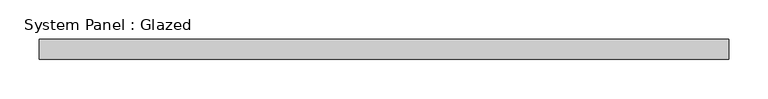
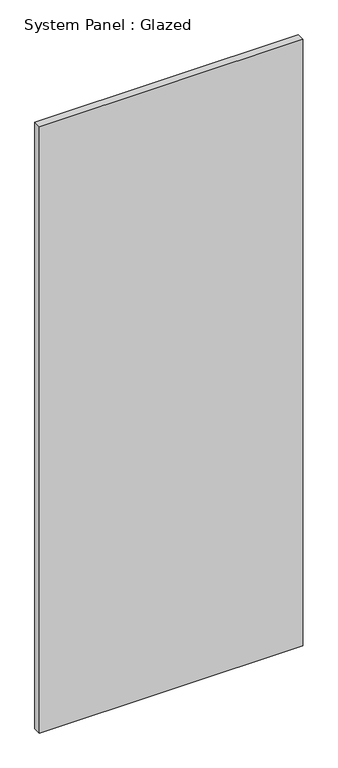
"""IFC4 building model written with IfcOpenShell, lengths in millimetres: plate geometry, System Panel : Glazed."""

import ifcopenshell
import ifcopenshell.guid

model = None  # the IFC model being written
_history = None  # IfcOwnerHistory: only IFC2X3 demands one
_inside = {}  # id of a spatial element -> (the spatial element, [elements in it])
_under = {}  # id of a project, library or spatial element -> (it, [spatial elements below it])
_declared = {}  # id of a project -> (the project, [libraries it declares])
_typed = {}  # id of a type object -> (the type object, [elements of that type])
_made_of = {}  # id of a material, layer set ... -> (it, [elements and type objects made of it])


def new_model(schema):
    """Start an empty IFC model of exactly this schema.

    Asked for "IFC4X3", IfcOpenShell would pick the latest addendum, in which some entities
    have other attributes; the version numbers below select the first issue.
    IFC2X3 requires an IfcOwnerHistory on every rooted entity: one is made here for all.
    """
    global model, _history
    if schema == "IFC4X3":
        model = ifcopenshell.file(schema_version=(4, 3, 0, 0))
    else:
        model = ifcopenshell.file(schema=schema)
    _inside.clear()
    _under.clear()
    _declared.clear()
    _typed.clear()
    _made_of.clear()
    _history = None
    if model.schema == "IFC2X3":
        org = make("IfcOrganization", Name="unknown")
        user = make(
            "IfcPersonAndOrganization",
            ThePerson=make("IfcPerson", FamilyName="unknown"),
            TheOrganization=org,
        )
        app = make(
            "IfcApplication",
            ApplicationDeveloper=org,
            Version="unknown",
            ApplicationFullName="unknown",
            ApplicationIdentifier="unknown",
        )
        _history = make(
            "IfcOwnerHistory",
            OwningUser=user,
            OwningApplication=app,
            ChangeAction="ADDED",
            CreationDate=0,
        )
    return model


def make(cls, **values):
    """One entity of the class cls with the attributes given. An attribute that is None is left unset."""
    return model.create_entity(
        cls, **{name: value for name, value in values.items() if value is not None}
    )


def rooted(cls, **values):
    """An entity with a GlobalId (a new one), such as an element, a storey or a relation."""
    return make(cls, GlobalId=ifcopenshell.guid.new(), OwnerHistory=_history, **values)


def si_unit(unit_type, name, prefix=None):
    """IfcSIUnit, for example si_unit("LENGTHUNIT", "METRE", prefix="MILLI")."""
    return make("IfcSIUnit", UnitType=unit_type, Prefix=prefix, Name=name)


def assignment(units):
    """IfcUnitAssignment: the units of a project."""
    return None if units is None else make("IfcUnitAssignment", Units=units)


def point(xyz):
    """IfcCartesianPoint."""
    return None if xyz is None else make("IfcCartesianPoint", Coordinates=xyz)


def direction(xyz):
    """IfcDirection."""
    return None if xyz is None else make("IfcDirection", DirectionRatios=xyz)


def frame(location, z_axis=None, x_axis=None):
    """IfcAxis2Placement3D, a coordinate frame: its origin and axes. An axis left out is left unset."""
    return make(
        "IfcAxis2Placement3D",
        Location=point(location),
        Axis=direction(z_axis),
        RefDirection=direction(x_axis),
    )


def origin():
    """The frame at (0, 0, 0) with its axes left unset."""
    return frame((0.0, 0.0, 0.0))


def origin_with_axes():
    """The frame at (0, 0, 0) with the z axis (0, 0, 1) and the x axis (1, 0, 0) written out."""
    return frame((0.0, 0.0, 0.0), z_axis=(0.0, 0.0, 1.0), x_axis=(1.0, 0.0, 0.0))


def place(relative_to, where):
    """IfcLocalPlacement: puts the frame where relative to a parent placement (None: the world)."""
    return make(
        "IfcLocalPlacement", PlacementRelTo=relative_to, RelativePlacement=where
    )


def context(
    kind, dimensions, precision=None, world=None, true_north=None, identifier=None
):
    """IfcGeometricRepresentationContext, for example the 3D "Model" context."""
    return make(
        "IfcGeometricRepresentationContext",
        ContextIdentifier=identifier,
        ContextType=kind,
        CoordinateSpaceDimension=dimensions,
        Precision=precision,
        WorldCoordinateSystem=world,
        TrueNorth=true_north,
    )


def project(units=None, contexts=None):
    """IfcProject with its units and contexts."""
    return rooted(
        "IfcProject",
        Name="project",
        RepresentationContexts=contexts,
        UnitsInContext=assignment(units),
    )


def spatial(cls, under=None, at=None, **own):
    """A site, building, storey or space (cls), placed at a placement, below another one or the project."""
    s = rooted(cls, ObjectPlacement=at, **own)
    if under is not None:
        _under.setdefault(under.id(), (under, []))[1].append(s)
    return s


def polyline(points):
    """IfcPolyline through the points."""
    return make("IfcPolyline", Points=[point(p) for p in points])


def outline(outer, holes=None, kind="AREA"):
    """IfcArbitraryClosedProfileDef: a profile drawn as a closed curve; with holes, ...WithVoids."""
    if holes is None:
        return make("IfcArbitraryClosedProfileDef", ProfileType=kind, OuterCurve=outer)
    return make(
        "IfcArbitraryProfileDefWithVoids",
        ProfileType=kind,
        OuterCurve=outer,
        InnerCurves=holes,
    )


def extrude(swept, where, along, depth):
    """IfcExtrudedAreaSolid: the profile swept, set in the frame where, extruded along a direction by depth."""
    return make(
        "IfcExtrudedAreaSolid",
        SweptArea=swept,
        Position=where,
        ExtrudedDirection=direction(along),
        Depth=depth,
    )


def shape(context_of_items, identifier, shape_type, items):
    """IfcShapeRepresentation: the items that make up one representation, for example the "Body"."""
    return make(
        "IfcShapeRepresentation",
        ContextOfItems=context_of_items,
        RepresentationIdentifier=identifier,
        RepresentationType=shape_type,
        Items=items,
    )


def source(mapping_origin, context_of_items, identifier, shape_type, items):
    """IfcRepresentationMap: a shape defined once, which mapped items show again and again."""
    return make(
        "IfcRepresentationMap",
        MappingOrigin=mapping_origin,
        MappedRepresentation=shape(context_of_items, identifier, shape_type, items),
    )


def transform(
    local_origin,
    x_axis=None,
    y_axis=None,
    z_axis=None,
    scale=None,
    scale2=None,
    scale3=None,
    uniform=True,
):
    """IfcCartesianTransformationOperator3D, or its non-uniform kind. x_axis, y_axis, z_axis: its Axis1, 2, 3."""
    if uniform:
        return make(
            "IfcCartesianTransformationOperator3D",
            Axis1=direction(x_axis),
            Axis2=direction(y_axis),
            LocalOrigin=point(local_origin),
            Scale=scale,
            Axis3=direction(z_axis),
        )
    return make(
        "IfcCartesianTransformationOperator3DnonUniform",
        Axis1=direction(x_axis),
        Axis2=direction(y_axis),
        LocalOrigin=point(local_origin),
        Scale=scale,
        Axis3=direction(z_axis),
        Scale2=scale2,
        Scale3=scale3,
    )


def mapped(mapping_source, mapping_target):
    """IfcMappedItem: shows the shape of a source again, moved by a transform."""
    return make(
        "IfcMappedItem", MappingSource=mapping_source, MappingTarget=mapping_target
    )


def made_of(thing, what):
    """Note that an element or type object is made of a material, layer set ...; save() writes the relation."""
    if what is not None:
        _made_of.setdefault(what.id(), (what, []))[1].append(thing)
    return thing


def element(
    cls,
    number,
    at=None,
    inside=None,
    cuts=None,
    type_object=None,
    material=None,
    context=None,
    identifier="Body",
    shape_type=None,
    held_by="IfcProductDefinitionShape",
    body=None,
    shapes=None,
    **own,
):
    """One element of the class cls, such as IfcWall. Its Tag is "e" and its number.

    at: its placement. inside: the storey or other place that contains it. cuts: it is an
    opening in that element (IfcRelVoidsElement). A single representation is given by context,
    identifier, shape_type and body (its items); several are given by shapes. held_by: the class
    of the entity that holds the representations. save() writes the other relations.
    """
    e = rooted(cls, Tag="e%d" % number, ObjectPlacement=at, **own)
    if body is not None:
        shapes = [shape(context, identifier, shape_type, body)]
    if shapes is not None:
        e.Representation = make(held_by, Representations=shapes)
    if inside is not None:
        _inside.setdefault(inside.id(), (inside, []))[1].append(e)
    if cuts is not None:
        rooted(
            "IfcRelVoidsElement", RelatingBuildingElement=cuts, RelatedOpeningElement=e
        )
    if type_object is not None:
        _typed.setdefault(type_object.id(), (type_object, []))[1].append(e)
    return made_of(e, material)


def aggregate(whole, parts):
    """IfcRelAggregates: a whole, such as a stair, and the parts it consists of."""
    return rooted("IfcRelAggregates", RelatingObject=whole, RelatedObjects=parts)


def save(model, path):
    """Write the relations noted so far, then the file.

    IfcRelAggregates (storeys below a building ...), IfcRelContainedInSpatialStructure (elements
    in a storey), IfcRelDefinesByType, IfcRelAssociatesMaterial and IfcRelDeclares: one each for
    every whole, place, type object, material and project.
    """
    for whole, parts in _under.values():
        aggregate(whole, parts)
    for where, things in _inside.values():
        rooted(
            "IfcRelContainedInSpatialStructure",
            RelatedElements=things,
            RelatingStructure=where,
        )
    for kind, things in _typed.values():
        rooted("IfcRelDefinesByType", RelatedObjects=things, RelatingType=kind)
    for what, things in _made_of.values():
        rooted("IfcRelAssociatesMaterial", RelatedObjects=things, RelatingMaterial=what)
    for by, libraries in _declared.values():
        rooted("IfcRelDeclares", RelatingContext=by, RelatedDefinitions=libraries)
    model.write(path)


def system_panel_glazed_557c21f9(model_context):
    return source(origin(), model_context, "Body", "SweptSolid", [
        extrude(outline(polyline([(438.15, -44.45), (-438.15, -44.45), (-438.15, -19.05), (438.15, -19.05), (438.15, -44.45)])), origin_with_axes(), (0.0, 0.0, 1.0), 2133.6),
    ])


if __name__ == "__main__":
    model = new_model("IFC4")
    model_context = context("Model", 3, world=origin())
    ifc_project = project(units=[si_unit("LENGTHUNIT", "METRE", prefix="MILLI")], contexts=[model_context])
    site = spatial("IfcSite", under=ifc_project)
    building = spatial("IfcBuilding", under=site)
    placement = place(None, origin())
    system_panel_glazed_shape = system_panel_glazed_557c21f9(model_context)
    element("IfcPlate", 1, ObjectType="System Panel : Glazed", at=placement, inside=building, context=model_context, shape_type="MappedRepresentation", body=[
        mapped(system_panel_glazed_shape, transform((0.0, 0.0, 0.0), x_axis=(1.0, 0.0, 0.0), y_axis=(0.0, 1.0, 0.0), z_axis=(0.0, 0.0, 1.0))),
    ])
    save(model, "model.ifc")
